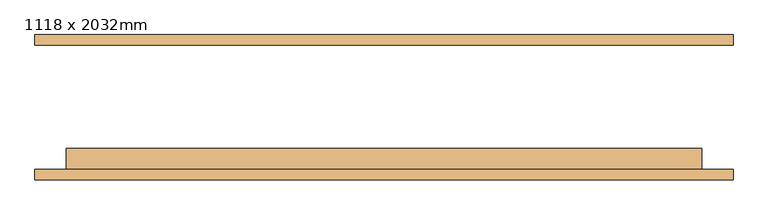
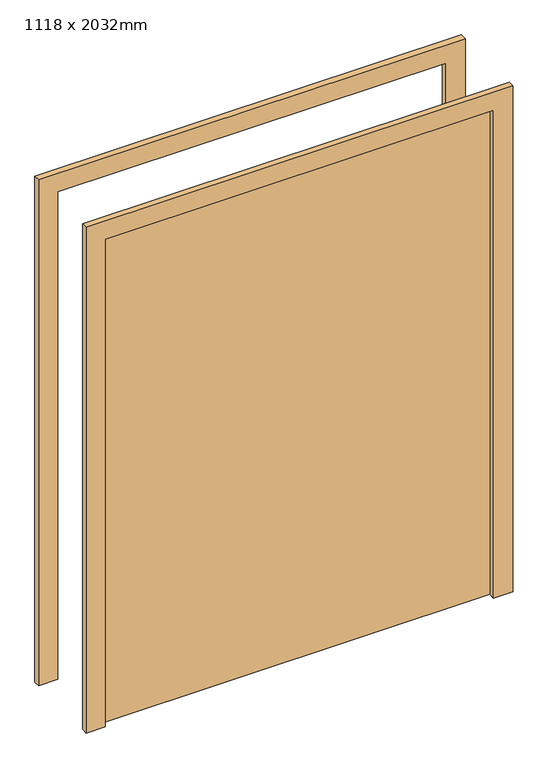
"""IFC4 building model written with IfcOpenShell, lengths in millimetres: door geometry, 1118 x 2032mm."""

from ifc_helpers import new_model, si_unit, frame, origin, origin_with_axes, place, context, project, spatial, polyline, outline, extrude, source, transform, mapped, element, save


def door_1118_x_2032mm_321110eb(model_context):
    return source(origin(), model_context, "Body", "SweptSolid", [
        extrude(outline(polyline([(102.0, -150.0), (-1429.4386376, -150.0), (-1429.4386376, -99.0), (102.0, -99.0), (102.0, -150.0)])), origin_with_axes(), (0.0, 0.0, 1.0), 2032.0),
        extrude(outline(polyline([(2032.0, -1429.4386376), (2032.0, 102.0), (0.0, 102.0), (0.0, 178.0), (2108.0, 178.0), (2108.0, -1505.4386376), (0.0, -1505.4386376), (0.0, -1429.4386376), (2032.0, -1429.4386376)])), frame((0.0, 150.0, 0.0), z_axis=(0.0, 1.0, 0.0), x_axis=(0.0, 0.0, 1.0)), (0.0, 0.0, 1.0), 25.0),
        extrude(outline(polyline([(2032.0, -1429.4386376), (2032.0, 102.0), (0.0, 102.0), (0.0, 178.0), (2108.0, 178.0), (2108.0, -1505.4386376), (0.0, -1505.4386376), (0.0, -1429.4386376), (2032.0, -1429.4386376)])), frame((0.0, -175.0, 0.0), z_axis=(0.0, 1.0, 0.0), x_axis=(0.0, 0.0, 1.0)), (0.0, 0.0, 1.0), 25.0),
    ])


if __name__ == "__main__":
    model = new_model("IFC4")
    model_context = context("Model", 3, world=origin())
    ifc_project = project(units=[si_unit("LENGTHUNIT", "METRE", prefix="MILLI")], contexts=[model_context])
    site = spatial("IfcSite", under=ifc_project)
    building = spatial("IfcBuilding", under=site)
    placement = place(None, origin())
    door_1118_x_2032mm_shape = door_1118_x_2032mm_321110eb(model_context)
    element("IfcDoor", 1, ObjectType="1118 x 2032mm", at=placement, inside=building, context=model_context, shape_type="MappedRepresentation", body=[
        mapped(door_1118_x_2032mm_shape, transform((0.0, 0.0, 0.0), x_axis=(1.0, 0.0, 0.0), y_axis=(0.0, 1.0, 0.0), z_axis=(0.0, 0.0, 1.0))),
    ])
    save(model, "model.ifc")
